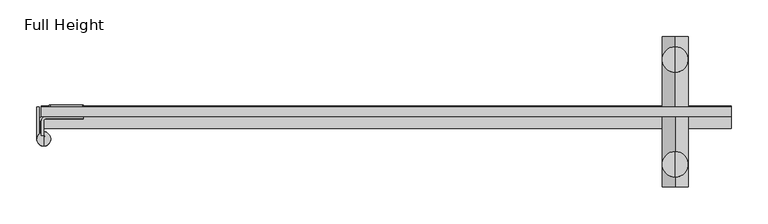
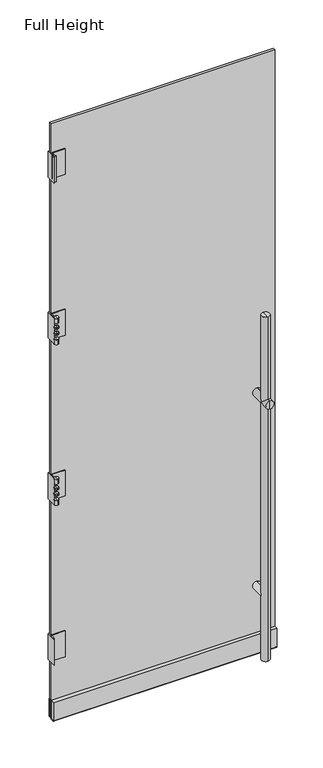
"""IFC4 building model written with IfcOpenShell, lengths in millimetres: plate geometry, Full Height."""

from ifc_helpers import new_model, si_unit, point, frame, frame_2d, origin, place, context, project, spatial, polyline, circle_curve, ellipse_curve, trimmed, segment, composite_curve, outline, extrude, source, transform, mapped, element, save
from ifc_brep_helpers import plane_surface, cylinder_surface, revolved_surface, advanced_brep


def full_height_731ae503(model_context):
    return source(origin(), model_context, "Body", "SolidModel", [
        advanced_brep(
        [(393.6977517, -92.4935, 1536.7), (393.6977517, -57.4935, 1536.7), (393.6977517, -57.4935, 1173.2127), (376.1977517, -74.9935, 1155.7127), (393.6977517, -92.4935, 1173.2127), (393.6977517, -57.4935, 12.7), (393.6977517, -92.4935, 12.7), (393.6977517, -92.4935, 1138.2127), (393.6977517, -57.4935, 1138.2127), (393.6977517, -57.4935, 317.5375), (376.1977517, -74.9935, 300.0375), (393.6977517, -57.4935, 282.5375), (393.6977517, -74.9935, 1536.7), (393.6977517, 50.3815, 1536.7), (393.6977517, 85.3815, 1536.7), (393.6977517, 67.8815, 1536.7), (393.6977517, 85.3815, 282.5375), (393.6977517, 50.3815, 282.5375), (393.6977517, 67.8815, 282.5375), (393.6977517, -9.906, 282.5375), (393.6977517, -9.906, 317.5375), (411.1977517, -74.9935, 300.0375), (393.6977517, 2.794, 282.5375), (393.6977517, 2.794, 317.5375), (393.6977517, 50.3815, 317.5375), (376.1977517, 67.8815, 300.0375), (393.6977517, 2.794, 312.5375), (393.6977517, 2.794, 287.5375), (393.6977517, -9.906, 287.5375), (393.6977517, -9.906, 312.5375), (393.6977517, -105.906, 1138.2127), (393.6977517, -105.906, 1173.2127), (393.6977517, -9.906, 1173.2127), (393.6977517, -9.906, 1138.2127), (393.6977517, -9.906, 1143.2127), (393.6977517, -9.906, 1168.2127), (393.6977517, -105.906, 1155.7127), (411.1977517, -74.9935, 1155.7127), (393.6977517, 2.794, 1143.2127), (393.6977517, 2.794, 1168.2127), (393.6977517, 2.794, 1138.2127), (393.6977517, 2.794, 1173.2127), (393.6977517, 50.3815, 1138.2127), (411.1977517, 67.8815, 1155.7127), (393.6977517, 50.3815, 1173.2127), (393.6977517, 98.794, 1138.2127), (393.6977517, 98.794, 1173.2127), (393.6977517, 85.3815, 1173.2127), (393.6977517, 85.3815, 1138.2127), (376.1977517, 67.8815, 1155.7127), (393.6977517, 98.794, 1155.7127), (393.6977517, -74.9935, 12.7), (411.1977517, 67.8815, 300.0375)],
        [
            (0, 1, circle_curve(frame((393.6977517, -74.9935, 1536.7), z_axis=(0.0, 0.0, -1.0), x_axis=(0.0, -1.0, 0.0)), 17.5)),
            (1, 2),
            (2, 3, ellipse_curve(frame((393.6977517, -74.9935, 1155.7127), z_axis=(0.0, -0.7071067811865475, 0.7071067811865475), x_axis=(0.0, 0.7071067811865474, 0.7071067811865477)), 24.7487373, 17.5)),
            (3, 4, ellipse_curve(frame((393.6977517, -74.9935, 1155.7127), z_axis=(0.0, 0.7071067811865475, 0.7071067811865476), x_axis=(0.0, -0.7071067811865476, 0.7071067811865474)), 24.7487373, 17.5)),
            (4, 0),
            (5, 6, circle_curve(frame((393.6977517, -74.9935, 12.7), z_axis=(0.0, 0.0, 1.0), x_axis=(0.0, -1.0, 0.0)), 17.5)),
            (6, 7),
            (7, 3, ellipse_curve(frame((393.6977517, -74.9935, 1155.7127), z_axis=(0.0, 0.7071067811865475, -0.7071067811865475), x_axis=(0.0, 0.7071067811865474, 0.7071067811865477)), 24.7487373, 17.5)),
            (3, 8, ellipse_curve(frame((393.6977517, -74.9935, 1155.7127), z_axis=(0.0, -0.7071067811865475, -0.7071067811865476), x_axis=(0.0, -0.7071067811865476, 0.7071067811865474)), 24.7487373, 17.5)),
            (8, 9),
            (9, 10, ellipse_curve(frame((393.6977517, -74.9935, 300.0375), z_axis=(0.0, -0.7071067811865475, 0.7071067811865475), x_axis=(0.0, 0.7071067811865474, 0.7071067811865477)), 24.7487373, 17.5)),
            (10, 11, ellipse_curve(frame((393.6977517, -74.9935, 300.0375), z_axis=(0.0, -0.7071067811865475, -0.7071067811865476), x_axis=(0.0, -0.7071067811865476, 0.7071067811865474)), 24.7487373, 17.5)),
            (11, 5),
            (0, 1, circle_curve(frame((393.6977517, -74.9935, 1536.7), z_axis=(0.0, 0.0, 1.0), x_axis=(0.0, -1.0, 0.0)), 17.5)),
            (1, 12),
            (12, 0),
            (13, 14, circle_curve(frame((393.6977517, 67.8815, 1536.7), z_axis=(0.0, 0.0, 1.0), x_axis=(0.0, 1.0, 0.0)), 17.5)),
            (14, 15),
            (15, 13),
            (14, 13, circle_curve(frame((393.6977517, 67.8815, 1536.7), z_axis=(0.0, 0.0, 1.0), x_axis=(0.0, 1.0, 0.0)), 17.5)),
            (16, 17, circle_curve(frame((393.6977517, 67.8815, 282.5375), z_axis=(0.0, 0.0, -1.0), x_axis=(0.0, 1.0, 0.0)), 17.5)),
            (17, 18),
            (18, 16),
            (19, 20, circle_curve(frame((393.6977517, -9.906, 300.0375), z_axis=(0.0, -1.0, 0.0), x_axis=(0.0, 0.0, -1.0)), 17.5)),
            (20, 9),
            (9, 21, ellipse_curve(frame((393.6977517, -74.9935, 300.0375), z_axis=(0.0, 0.7071067811865475, -0.7071067811865475), x_axis=(0.0, -0.7071067811865476, -0.7071067811865474)), 24.7487373, 17.5)),
            (21, 11, ellipse_curve(frame((393.6977517, -74.9935, 300.0375), z_axis=(0.0, 0.7071067811865475, 0.7071067811865476), x_axis=(0.0, -0.7071067811865476, 0.7071067811865475)), 24.7487373, 17.5)),
            (11, 19),
            (20, 19, circle_curve(frame((393.6977517, -9.906, 300.0375), z_axis=(0.0, -1.0, 0.0), x_axis=(0.0, 0.0, -1.0)), 17.5)),
            (22, 23, circle_curve(frame((393.6977517, 2.794, 300.0375), z_axis=(0.0, 1.0, 0.0), x_axis=(0.0, 0.0, -1.0)), 17.5)),
            (23, 24),
            (24, 25, ellipse_curve(frame((393.6977517, 67.8815, 300.0375), z_axis=(0.0, -0.7071067811865475, -0.7071067811865475), x_axis=(0.0, -0.7071067811865476, 0.7071067811865474)), 24.7487373, 17.5)),
            (25, 17, ellipse_curve(frame((393.6977517, 67.8815, 300.0375), z_axis=(0.0, -0.7071067811865475, 0.7071067811865476), x_axis=(0.0, -0.7071067811865476, -0.7071067811865475)), 24.7487373, 17.5)),
            (17, 22),
            (26, 27, circle_curve(frame((393.6977517, 2.794, 300.0375), z_axis=(0.0, -1.0, 0.0), x_axis=(0.0, 0.0, -1.0)), 12.5)),
            (27, 28),
            (28, 29, circle_curve(frame((393.6977517, -9.906, 300.0375), z_axis=(0.0, 1.0, 0.0), x_axis=(0.0, 0.0, -1.0)), 12.5)),
            (29, 26),
            (20, 29),
            (28, 19),
            (30, 31, circle_curve(frame((393.6977517, -105.906, 1155.7127), z_axis=(0.0, 1.0, 0.0), x_axis=(0.0, 0.0, 1.0)), 17.5)),
            (31, 4),
            (7, 30),
            (32, 33, circle_curve(frame((393.6977517, -9.906, 1155.7127), z_axis=(0.0, -1.0, 0.0), x_axis=(0.0, 0.0, 1.0)), 17.5)),
            (33, 8),
            (2, 32),
            (32, 33, circle_curve(frame((393.6977517, -9.906, 1155.7127), z_axis=(0.0, 1.0, 0.0), x_axis=(0.0, 0.0, 1.0)), 17.5)),
            (33, 34),
            (34, 35, circle_curve(frame((393.6977517, -9.906, 1155.7127), z_axis=(0.0, -1.0, 0.0), x_axis=(0.0, 0.0, 1.0)), 12.5)),
            (35, 32),
            (30, 31, circle_curve(frame((393.6977517, -105.906, 1155.7127), z_axis=(0.0, -1.0, 0.0), x_axis=(0.0, 0.0, 1.0)), 17.5)),
            (31, 36),
            (36, 30),
            (7, 37, ellipse_curve(frame((393.6977517, -74.9935, 1155.7127), z_axis=(0.0, -0.7071067811865475, 0.7071067811865475), x_axis=(0.0, 0.7071067811865476, 0.7071067811865474)), 24.7487373, 17.5)),
            (37, 4, ellipse_curve(frame((393.6977517, -74.9935, 1155.7127), z_axis=(0.0, -0.7071067811865475, -0.7071067811865476), x_axis=(0.0, 0.7071067811865476, -0.7071067811865475)), 24.7487373, 17.5)),
            (2, 37, ellipse_curve(frame((393.6977517, -74.9935, 1155.7127), z_axis=(0.0, 0.7071067811865475, -0.7071067811865475), x_axis=(0.0, 0.7071067811865476, 0.7071067811865474)), 24.7487373, 17.5)),
            (37, 8, ellipse_curve(frame((393.6977517, -74.9935, 1155.7127), z_axis=(0.0, 0.7071067811865475, 0.7071067811865476), x_axis=(0.0, 0.7071067811865476, -0.7071067811865475)), 24.7487373, 17.5)),
            (35, 34, circle_curve(frame((393.6977517, -9.906, 1155.7127), z_axis=(0.0, -1.0, 0.0), x_axis=(0.0, 0.0, 1.0)), 12.5)),
            (34, 38),
            (38, 39, circle_curve(frame((393.6977517, 2.794, 1155.7127), z_axis=(0.0, -1.0, 0.0), x_axis=(0.0, 0.0, 1.0)), 12.5)),
            (39, 35),
            (39, 38, circle_curve(frame((393.6977517, 2.794, 1155.7127), z_axis=(0.0, -1.0, 0.0), x_axis=(0.0, 0.0, 1.0)), 12.5)),
            (38, 40),
            (40, 41, circle_curve(frame((393.6977517, 2.794, 1155.7127), z_axis=(0.0, -1.0, 0.0), x_axis=(0.0, 0.0, 1.0)), 17.5)),
            (41, 39),
            (41, 40, circle_curve(frame((393.6977517, 2.794, 1155.7127), z_axis=(0.0, -1.0, 0.0), x_axis=(0.0, 0.0, 1.0)), 17.5)),
            (40, 42),
            (42, 43, ellipse_curve(frame((393.6977517, 67.8815, 1155.7127), z_axis=(0.0, -0.7071067811865475, 0.7071067811865476), x_axis=(0.0, 0.7071067811865476, 0.7071067811865475)), 24.7487373, 17.5)),
            (43, 44, ellipse_curve(frame((393.6977517, 67.8815, 1155.7127), z_axis=(0.0, -0.7071067811865475, -0.7071067811865475), x_axis=(0.0, 0.7071067811865476, -0.7071067811865474)), 24.7487373, 17.5)),
            (44, 41),
            (45, 46, circle_curve(frame((393.6977517, 98.794, 1155.7127), z_axis=(0.0, -1.0, 0.0), x_axis=(0.0, 0.0, 1.0)), 17.5)),
            (46, 47),
            (47, 43, ellipse_curve(frame((393.6977517, 67.8815, 1155.7127), z_axis=(0.0, 0.7071067811865475, -0.7071067811865476), x_axis=(0.0, 0.7071067811865476, 0.7071067811865475)), 24.7487373, 17.5)),
            (43, 48, ellipse_curve(frame((393.6977517, 67.8815, 1155.7127), z_axis=(0.0, 0.7071067811865475, 0.7071067811865475), x_axis=(0.0, 0.7071067811865476, -0.7071067811865474)), 24.7487373, 17.5)),
            (48, 45),
            (44, 49, ellipse_curve(frame((393.6977517, 67.8815, 1155.7127), z_axis=(0.0, -0.7071067811865475, -0.7071067811865475), x_axis=(0.0, 0.7071067811865476, -0.7071067811865474)), 24.7487373, 17.5)),
            (49, 42, ellipse_curve(frame((393.6977517, 67.8815, 1155.7127), z_axis=(0.0, -0.7071067811865475, 0.7071067811865476), x_axis=(0.0, 0.7071067811865476, 0.7071067811865475)), 24.7487373, 17.5)),
            (46, 45, circle_curve(frame((393.6977517, 98.794, 1155.7127), z_axis=(0.0, -1.0, 0.0), x_axis=(0.0, 0.0, 1.0)), 17.5)),
            (48, 49, ellipse_curve(frame((393.6977517, 67.8815, 1155.7127), z_axis=(0.0, 0.7071067811865475, 0.7071067811865475), x_axis=(0.0, 0.7071067811865476, -0.7071067811865474)), 24.7487373, 17.5)),
            (49, 47, ellipse_curve(frame((393.6977517, 67.8815, 1155.7127), z_axis=(0.0, 0.7071067811865475, -0.7071067811865476), x_axis=(0.0, 0.7071067811865476, 0.7071067811865475)), 24.7487373, 17.5)),
            (45, 50),
            (50, 46),
            (5, 6, circle_curve(frame((393.6977517, -74.9935, 12.7), z_axis=(0.0, 0.0, -1.0), x_axis=(0.0, -1.0, 0.0)), 17.5)),
            (6, 51),
            (51, 5),
            (13, 44),
            (47, 14),
            (16, 48),
            (42, 24),
            (24, 52, ellipse_curve(frame((393.6977517, 67.8815, 300.0375), z_axis=(0.0, 0.7071067811865475, 0.7071067811865475), x_axis=(0.0, 0.7071067811865474, -0.7071067811865477)), 24.7487373, 17.5)),
            (52, 17, ellipse_curve(frame((393.6977517, 67.8815, 300.0375), z_axis=(0.0, 0.7071067811865475, -0.7071067811865476), x_axis=(0.0, -0.7071067811865476, -0.7071067811865474)), 24.7487373, 17.5)),
            (16, 17, circle_curve(frame((393.6977517, 67.8815, 282.5375), z_axis=(0.0, 0.0, 1.0), x_axis=(0.0, 1.0, 0.0)), 17.5)),
            (23, 22, circle_curve(frame((393.6977517, 2.794, 300.0375), z_axis=(0.0, 1.0, 0.0), x_axis=(0.0, 0.0, -1.0)), 17.5)),
            (23, 26),
            (26, 27, circle_curve(frame((393.6977517, 2.794, 300.0375), z_axis=(0.0, 1.0, 0.0), x_axis=(0.0, 0.0, -1.0)), 12.5)),
            (27, 22),
            (29, 28, circle_curve(frame((393.6977517, -9.906, 300.0375), z_axis=(0.0, 1.0, 0.0), x_axis=(0.0, 0.0, -1.0)), 12.5)),
        ],
        [
            cylinder_surface(frame((393.6977517, -74.9935, 12.7), z_axis=(0.0, 0.0, 1.0), x_axis=(0.0, -1.0, 0.0)), 17.5),
            plane_surface(frame((393.6977517, -74.9935, 1536.7), z_axis=(0.0, 0.0, 1.0), x_axis=(0.0, -1.0, 0.0))),
            plane_surface(frame((393.6977517, 67.8815, 1536.7), z_axis=(0.0, 0.0, 1.0), x_axis=(0.0, 1.0, 0.0))),
            plane_surface(frame((393.6977517, 67.8815, 282.5375), z_axis=(0.0, 0.0, -1.0), x_axis=(0.0, 1.0, 0.0))),
            cylinder_surface(frame((393.6977517, -135.7263601, 300.0375), z_axis=(0.0, -1.0, 0.0), x_axis=(0.0, 0.0, -1.0)), 17.5),
            cylinder_surface(frame((393.6977517, -135.7263601, 300.0375), z_axis=(0.0, -1.0, 0.0), x_axis=(0.0, 0.0, -1.0)), 12.5),
            plane_surface(frame((393.6977517, -9.906, 300.0375), z_axis=(0.0, 1.0, 0.0), x_axis=(0.0, 0.0, -1.0))),
            cylinder_surface(frame((393.6977517, -135.7263601, 1155.7127), z_axis=(0.0, 1.0, 0.0), x_axis=(0.0, 0.0, 1.0)), 17.5),
            plane_surface(frame((393.6977517, -9.906, 1155.7127), z_axis=(0.0, 1.0, 0.0), x_axis=(0.0, 0.0, 1.0))),
            plane_surface(frame((393.6977517, -105.906, 1155.7127), z_axis=(0.0, -1.0, 0.0), x_axis=(0.0, 0.0, 1.0))),
            cylinder_surface(frame((393.6977517, -135.7263601, 1155.7127), z_axis=(0.0, 1.0, 0.0), x_axis=(0.0, 0.0, 1.0)), 12.5),
            plane_surface(frame((393.6977517, 2.794, 1155.7127), z_axis=(0.0, -1.0, 0.0), x_axis=(0.0, 0.0, 1.0))),
            plane_surface(frame((393.6977517, 98.794, 1155.7127), z_axis=(0.0, 1.0, 0.0), x_axis=(0.0, 0.0, 1.0))),
            plane_surface(frame((393.6977517, -74.9935, 12.7), z_axis=(0.0, 0.0, -1.0), x_axis=(0.0, -1.0, 0.0))),
            cylinder_surface(frame((393.6977517, 67.8815, 12.7), z_axis=(0.0, 0.0, -1.0), x_axis=(0.0, 1.0, 0.0)), 17.5),
            plane_surface(frame((393.6977517, 2.794, 300.0375), z_axis=(0.0, -1.0, 0.0), x_axis=(0.0, 0.0, -1.0))),
        ],
        [
            (0, [[1, 2, 3, 4, 5]]),
            (0, [[6, 7, 8, 9, 10, 11, 12, 13]]),
            (1, [[14, 15, 16]]),
            (2, [[17, 18, 19]]),
            (2, [[-18, 20, -19]]),
            (3, [[21, 22, 23]]),
            (4, [[24, 25, 26, 27, 28]]),
            (4, [[29, -28, -12, -11, -25]]),
            (4, [[30, 31, 32, 33, 34]]),
            (5, [[35, 36, 37, 38]]),
            (6, [[-29, 39, -37, 40]]),
            (7, [[41, 42, -4, -8, 43]]),
            (7, [[44, 45, -9, -3, 46]]),
            (8, [[47, 48, 49, 50]]),
            (9, [[51, 52, 53]]),
            (9, [[-52, -41, -53]]),
            (7, [[-51, -43, 54, 55, -42]]),
            (7, [[-47, -46, 56, 57, -45]]),
            (8, [[-44, -50, 58, -48]]),
            (10, [[-49, 59, 60, 61]]),
            (10, [[-58, -61, 62, -59]]),
            (11, [[-60, 63, 64, 65]]),
            (11, [[-62, -65, 66, -63]]),
            (7, [[-64, 67, 68, 69, 70]]),
            (7, [[71, 72, 73, 74, 75]]),
            (7, [[-66, -70, 76, 77, -67]]),
            (7, [[78, -75, 79, 80, -72]]),
            (12, [[-71, 81, 82]]),
            (12, [[-78, -82, -81]]),
            (13, [[83, 84, 85]]),
            (13, [[-84, -6, -85]]),
            (0, [[-83, -13, -27, -26, -10, -57, -54, -7]]),
            (0, [[-14, -5, -55, -56, -2]]),
            (1, [[-1, -16, -15]]),
            (14, [[-17, 86, -69, -73, 87]]),
            (14, [[-21, 88, -74, -68, 89, 90, 91]]),
            (14, [[-20, -87, -80, -76, -86]]),
            (14, [[92, -33, -32, -89, -77, -79, -88]]),
            (3, [[-92, -23, -22]]),
            (4, [[93, -34, -91, -90, -31]]),
            (15, [[-93, 94, 95, 96]]),
            (15, [[-30, -96, -35, -94]]),
            (5, [[-95, -38, 97, -36]]),
            (6, [[-24, -40, -97, -39]]),
        ],
    ),
        extrude(outline(composite_curve([segment(polyline([(-23.876, 10.668), (-9.906, 10.668), (-9.906, 8.382)]), True, "CONTINUOUS"), segment(trimmed(circle_curve(frame_2d((-11.938, 8.382)), 2.032), [point((-9.906, 8.382))], [point((-11.938, 6.35))], False, "CARTESIAN"), True, "CONTINUOUS"), segment(polyline([(-11.938, 6.35), (-21.844, 6.35)]), True, "CONTINUOUS"), segment(trimmed(circle_curve(frame_2d((-21.844, 8.382)), 2.032), [point((-21.844, 6.35))], [point((-23.876, 8.382))], False, "CARTESIAN"), True, "CONTINUOUS"), segment(polyline([(-23.876, 8.382), (-23.876, 10.668)]), True, "CONTINUOUS")], self_intersect=False)), frame((-468.1197517, 0.0, 0.0), z_axis=(1.0, 0.0, 0.0), x_axis=(0.0, 1.0, 0.0)), (0.0, 0.0, 1.0), 938.0175034),
        extrude(outline(polyline([(2.794, 90.932), (4.826, 90.932), (4.826, 10.668), (-25.908, 10.668), (-25.908, 90.932), (-9.906, 90.932), (-9.906, 12.7), (2.794, 12.7), (2.794, 90.932)])), frame((-468.1197517, 0.0, 0.0), z_axis=(1.0, 0.0, 0.0), x_axis=(0.0, 1.0, 0.0)), (0.0, 0.0, 1.0), 938.0175034),
        extrude(outline(composite_curve([segment(polyline([(980.0166667, -411.4777517), (1091.7766667, -411.4777517)]), True, "CONTINUOUS"), segment(trimmed(circle_curve(frame_2d((1091.7766667, -412.7477517)), 1.27), [point((1091.7766667, -411.4777517))], [point((1093.0466667, -412.7477517))], False, "CARTESIAN"), True, "CONTINUOUS"), segment(polyline([(1093.0466667, -412.7477517), (1093.0466667, -456.2071517)]), True, "CONTINUOUS"), segment(trimmed(circle_curve(frame_2d((1091.7766667, -456.2071517)), 1.27), [point((1093.0466667, -456.2071517))], [point((1091.7766667, -457.4771517))], False, "CARTESIAN"), True, "CONTINUOUS"), segment(polyline([(1091.7766667, -457.4771517), (980.0166667, -457.4771517)]), True, "CONTINUOUS"), segment(trimmed(circle_curve(frame_2d((980.0166667, -456.2071517)), 1.27), [point((980.0166667, -457.4771517))], [point((978.7466667, -456.2071517))], False, "CARTESIAN"), True, "CONTINUOUS"), segment(polyline([(978.7466667, -456.2071517), (978.7466667, -412.7477517)]), True, "CONTINUOUS"), segment(trimmed(circle_curve(frame_2d((980.0166667, -412.7477517)), 1.27), [point((978.7466667, -412.7477517))], [point((980.0166667, -411.4777517))], False, "CARTESIAN"), True, "CONTINUOUS")], self_intersect=False)), frame((0.0, 2.794, 0.0), z_axis=(0.0, 1.0, 0.0), x_axis=(0.0, 0.0, 1.0)), (0.0, 0.0, 1.0), 3.048),
        extrude(outline(composite_curve([segment(trimmed(circle_curve(frame_2d((1803.8233333, -412.7477517)), 1.27), [point((1803.8233333, -411.4777517))], [point((1805.0933333, -412.7477517))], False, "CARTESIAN"), True, "CONTINUOUS"), segment(polyline([(1805.0933333, -412.7477517), (1805.0933333, -456.2071517)]), True, "CONTINUOUS"), segment(trimmed(circle_curve(frame_2d((1803.8233333, -456.2071517)), 1.27), [point((1805.0933333, -456.2071517))], [point((1803.8233333, -457.4771517))], False, "CARTESIAN"), True, "CONTINUOUS"), segment(polyline([(1803.8233333, -457.4771517), (1692.0633333, -457.4771517)]), True, "CONTINUOUS"), segment(trimmed(circle_curve(frame_2d((1692.0633333, -456.2071517)), 1.27), [point((1692.0633333, -457.4771517))], [point((1690.7933333, -456.2071517))], False, "CARTESIAN"), True, "CONTINUOUS"), segment(polyline([(1690.7933333, -456.2071517), (1690.7933333, -412.7477517)]), True, "CONTINUOUS"), segment(trimmed(circle_curve(frame_2d((1692.0633333, -412.7477517)), 1.27), [point((1690.7933333, -412.7477517))], [point((1692.0633333, -411.4777517))], False, "CARTESIAN"), True, "CONTINUOUS"), segment(polyline([(1692.0633333, -411.4777517), (1803.8233333, -411.4777517)]), True, "CONTINUOUS")], self_intersect=False)), frame((0.0, 2.794, 0.0), z_axis=(0.0, 1.0, 0.0), x_axis=(0.0, 0.0, 1.0)), (0.0, 0.0, 1.0), 3.048),
        extrude(outline(composite_curve([segment(trimmed(circle_curve(frame_2d((-464.9447517, -40.4876)), 9.525), [point((-469.4913517, -32.11777))], [point((-472.8949517, -35.2416544))], True, "CARTESIAN"), True, "CONTINUOUS"), segment(polyline([(-472.8949517, -35.2416544), (-472.8949517, -16.7386)]), True, "CONTINUOUS"), segment(trimmed(circle_curve(frame_2d((-466.0623517, -16.7386)), 6.8326), [point((-472.8949517, -16.7386))], [point((-466.0623517, -9.906))], False, "CARTESIAN"), True, "CONTINUOUS"), segment(polyline([(-466.0623517, -9.906), (-411.4777517, -9.906), (-411.4777517, -13.3096), (-466.0623517, -13.3096)]), True, "CONTINUOUS"), segment(trimmed(circle_curve(frame_2d((-466.0623517, -16.7386)), 3.429), [point((-466.0623517, -13.3096))], [point((-469.4913517, -16.7386))], True, "CARTESIAN"), True, "CONTINUOUS"), segment(polyline([(-469.4913517, -16.7386), (-469.4913517, -32.11777)]), True, "CONTINUOUS")], self_intersect=False)), frame((0.0, 0.0, 978.7466667), z_axis=(0.0, 0.0, 1.0), x_axis=(1.0, 0.0, 0.0)), (0.0, 0.0, 1.0), 114.3),
        extrude(outline(composite_curve([segment(polyline([(-411.4777517, -13.3096), (-466.0623517, -13.3096)]), True, "CONTINUOUS"), segment(trimmed(circle_curve(frame_2d((-466.0623517, -16.7386)), 3.429), [point((-466.0623517, -13.3096))], [point((-469.4913517, -16.7386))], True, "CARTESIAN"), True, "CONTINUOUS"), segment(polyline([(-469.4913517, -16.7386), (-469.4913517, -32.11777)]), True, "CONTINUOUS"), segment(trimmed(circle_curve(frame_2d((-464.9447517, -40.4876)), 9.525), [point((-469.4913517, -32.11777))], [point((-472.8949517, -35.2416544))], True, "CARTESIAN"), True, "CONTINUOUS"), segment(polyline([(-472.8949517, -35.2416544), (-472.8949517, -16.7386)]), True, "CONTINUOUS"), segment(trimmed(circle_curve(frame_2d((-466.0623517, -16.7386)), 6.8326), [point((-472.8949517, -16.7386))], [point((-466.0623517, -9.906))], False, "CARTESIAN"), True, "CONTINUOUS"), segment(polyline([(-466.0623517, -9.906), (-411.4777517, -9.906), (-411.4777517, -13.3096)]), True, "CONTINUOUS")], self_intersect=False)), frame((0.0, 0.0, 1690.7933333), z_axis=(0.0, 0.0, 1.0), x_axis=(1.0, 0.0, 0.0)), (0.0, 0.0, 1.0), 114.3),
        extrude(outline(composite_curve([segment(polyline([(-468.1197517, -35.8295393), (-468.1197517, -16.002)]), True, "CONTINUOUS"), segment(trimmed(circle_curve(frame_2d((-462.0237517, -16.002)), 6.096), [point((-468.1197517, -16.002))], [point((-462.0237517, -9.906))], False, "CARTESIAN"), True, "CONTINUOUS"), segment(polyline([(-462.0237517, -9.906), (-411.4777517, -9.906), (-411.4777517, -12.954), (-462.0237517, -12.954)]), True, "CONTINUOUS"), segment(trimmed(circle_curve(frame_2d((-462.0237517, -16.002)), 3.048), [point((-462.0237517, -12.954))], [point((-465.0717517, -16.002))], True, "CARTESIAN"), True, "CONTINUOUS"), segment(polyline([(-465.0717517, -16.002), (-465.0717517, -33.8381021)]), True, "CONTINUOUS"), segment(trimmed(circle_curve(frame_2d((-461.2617517, -33.8381021)), 3.81), [point((-465.0717517, -33.8381021))], [point((-463.3882633, -36.9994386))], True, "CARTESIAN"), True, "CONTINUOUS"), segment(trimmed(circle_curve(frame_2d((-467.3577517, -42.9006)), 7.112), [point((-463.3882633, -36.9994386))], [point((-468.1197517, -35.8295393))], True, "CARTESIAN"), True, "CONTINUOUS")], self_intersect=False)), frame((0.0, 0.0, 2402.84), z_axis=(0.0, 0.0, 1.0), x_axis=(1.0, 0.0, 0.0)), (0.0, 0.0, 1.0), 114.3),
        extrude(outline(composite_curve([segment(trimmed(circle_curve(frame_2d((379.73, -456.2071517)), 1.27), [point((381.0, -456.2071517))], [point((379.73, -457.4771517))], False, "CARTESIAN"), True, "CONTINUOUS"), segment(polyline([(379.73, -457.4771517), (267.97, -457.4771517)]), True, "CONTINUOUS"), segment(trimmed(circle_curve(frame_2d((267.97, -456.2071517)), 1.27), [point((267.97, -457.4771517))], [point((266.7, -456.2071517))], False, "CARTESIAN"), True, "CONTINUOUS"), segment(polyline([(266.7, -456.2071517), (266.7, -412.7477517)]), True, "CONTINUOUS"), segment(trimmed(circle_curve(frame_2d((267.97, -412.7477517)), 1.27), [point((266.7, -412.7477517))], [point((267.97, -411.4777517))], False, "CARTESIAN"), True, "CONTINUOUS"), segment(polyline([(267.97, -411.4777517), (379.73, -411.4777517)]), True, "CONTINUOUS"), segment(trimmed(circle_curve(frame_2d((379.73, -412.7477517)), 1.27), [point((379.73, -411.4777517))], [point((381.0, -412.7477517))], False, "CARTESIAN"), True, "CONTINUOUS"), segment(polyline([(381.0, -412.7477517), (381.0, -456.2071517)]), True, "CONTINUOUS")], self_intersect=False)), frame((0.0, 2.794, 0.0), z_axis=(0.0, 1.0, 0.0), x_axis=(0.0, 0.0, 1.0)), (0.0, 0.0, 1.0), 3.048),
        extrude(outline(composite_curve([segment(trimmed(circle_curve(frame_2d((2515.87, -456.2071517)), 1.27), [point((2517.14, -456.2071517))], [point((2515.87, -457.4771517))], False, "CARTESIAN"), True, "CONTINUOUS"), segment(polyline([(2515.87, -457.4771517), (2404.11, -457.4771517)]), True, "CONTINUOUS"), segment(trimmed(circle_curve(frame_2d((2404.11, -456.2071517)), 1.27), [point((2404.11, -457.4771517))], [point((2402.84, -456.2071517))], False, "CARTESIAN"), True, "CONTINUOUS"), segment(polyline([(2402.84, -456.2071517), (2402.84, -412.7477517)]), True, "CONTINUOUS"), segment(trimmed(circle_curve(frame_2d((2404.11, -412.7477517)), 1.27), [point((2402.84, -412.7477517))], [point((2404.11, -411.4777517))], False, "CARTESIAN"), True, "CONTINUOUS"), segment(polyline([(2404.11, -411.4777517), (2515.87, -411.4777517)]), True, "CONTINUOUS"), segment(trimmed(circle_curve(frame_2d((2515.87, -412.7477517)), 1.27), [point((2515.87, -411.4777517))], [point((2517.14, -412.7477517))], False, "CARTESIAN"), True, "CONTINUOUS"), segment(polyline([(2517.14, -412.7477517), (2517.14, -456.2071517)]), True, "CONTINUOUS")], self_intersect=False)), frame((0.0, 2.794, 0.0), z_axis=(0.0, 1.0, 0.0), x_axis=(0.0, 0.0, 1.0)), (0.0, 0.0, 1.0), 3.048),
        extrude(outline(composite_curve([segment(trimmed(circle_curve(frame_2d((-466.0623517, -16.7386)), 6.8326), [point((-472.8949517, -16.7386))], [point((-466.0623517, -9.906))], False, "CARTESIAN"), True, "CONTINUOUS"), segment(polyline([(-466.0623517, -9.906), (-411.4777517, -9.906), (-411.4777517, -13.3096), (-466.0623517, -13.3096)]), True, "CONTINUOUS"), segment(trimmed(circle_curve(frame_2d((-466.0623517, -16.7386)), 3.429), [point((-466.0623517, -13.3096))], [point((-469.4913517, -16.7386))], True, "CARTESIAN"), True, "CONTINUOUS"), segment(polyline([(-469.4913517, -16.7386), (-469.4913517, -32.11777)]), True, "CONTINUOUS"), segment(trimmed(circle_curve(frame_2d((-464.9447517, -40.4876)), 9.525), [point((-469.4913517, -32.11777))], [point((-472.8949517, -35.2416544))], True, "CARTESIAN"), True, "CONTINUOUS"), segment(polyline([(-472.8949517, -35.2416544), (-472.8949517, -16.7386)]), True, "CONTINUOUS")], self_intersect=False)), frame((0.0, 0.0, 266.7), z_axis=(0.0, 0.0, 1.0), x_axis=(1.0, 0.0, 0.0)), (0.0, 0.0, 1.0), 114.3),
        extrude(outline(polyline([(469.8977517, -9.906), (-468.1197517, -9.906), (-468.1197517, 2.794), (469.8977517, 2.794), (469.8977517, -9.906)])), frame((0.0, 0.0, 12.7), z_axis=(0.0, 0.0, 1.0), x_axis=(1.0, 0.0, 0.0)), (0.0, 0.0, 1.0), 2631.44),
        extrude(outline(composite_curve([segment(trimmed(circle_curve(frame_2d((-40.4876, -464.9447517)), 9.525), [point((-40.4876, -474.4697517))], [point((-33.1900602, -471.0661517))], True, "CARTESIAN"), True, "CONTINUOUS"), segment(polyline([(-33.1900602, -471.0661517), (2.794, -471.0661517), (2.794, -474.4697517), (-40.4876, -474.4697517)]), True, "CONTINUOUS")], self_intersect=False)), frame((0.0, 0.0, 1805.0933333), z_axis=(0.0, 0.0, -1.0), x_axis=(0.0, 1.0, 0.0)), (0.0, 0.0, 1.0), 114.3),
        extrude(outline(composite_curve([segment(trimmed(circle_curve(frame_2d((-40.4876, -464.9447517)), 9.525), [point((-40.4876, -474.4697517))], [point((-33.1900602, -471.0661517))], True, "CARTESIAN"), True, "CONTINUOUS"), segment(polyline([(-33.1900602, -471.0661517), (2.794, -471.0661517), (2.794, -474.4697517), (-40.4876, -474.4697517)]), True, "CONTINUOUS")], self_intersect=False)), frame((0.0, 0.0, 1093.0466667), z_axis=(0.0, 0.0, -1.0), x_axis=(0.0, 1.0, 0.0)), (0.0, 0.0, 1.0), 114.3),
        advanced_brep(
        [(-474.4697517, 2.794, 2517.14), (-474.4697517, -40.4876, 2517.14), (-471.0661517, -33.1900602, 2517.14), (-471.0661517, 2.794, 2517.14), (-474.4697517, 2.794, 2402.84), (-471.0661517, 2.794, 2402.84), (-471.0661517, -33.1900602, 2402.84), (-474.4697517, -40.4876, 2402.84)],
        [
            (0, 1),
            (1, 2, circle_curve(frame((-464.9447517, -40.4876, 2517.14), z_axis=(0.0, 0.0, -1.0), x_axis=(-1.0, 0.0, 0.0)), 9.525)),
            (2, 3),
            (3, 0),
            (4, 5),
            (5, 6),
            (6, 7, circle_curve(frame((-464.9447517, -40.4876, 2402.84), z_axis=(0.0, 0.0, 1.0), x_axis=(-1.0, 0.0, 0.0)), 9.525)),
            (7, 4),
            (0, 4),
            (7, 1),
            (6, 2),
            (5, 3),
        ],
        [
            plane_surface(frame((-474.4697517, 2.794, 2517.14), z_axis=(0.0, 0.0, 1.0), x_axis=(0.0, -1.0, 0.0))),
            plane_surface(frame((-474.4697517, 2.794, 2402.84), z_axis=(0.0, 0.0, -1.0), x_axis=(0.0, 1.0, 0.0))),
            plane_surface(frame((-474.4697517, 2.794, 2517.14), z_axis=(-1.0, 0.0, 0.0), x_axis=(0.0, 0.0, -1.0))),
            revolved_surface(polyline([(-474.46975169999996, -40.4876, 2402.84), (-474.46975169999996, -40.4876, 2517.14)]), (-464.9447517, -40.4876, 2402.84), (0.0, 0.0, -1.0)),
            plane_surface(frame((-471.0661517, -33.1900602, 2517.14), z_axis=(1.0, 0.0, 0.0), x_axis=(0.0, 0.0, -1.0))),
            plane_surface(frame((-471.0661517, 2.794, 2517.14), z_axis=(0.0, 1.0, 0.0), x_axis=(0.0, 0.0, -1.0))),
        ],
        [
            (0, [[1, 2, 3, 4]]),
            (1, [[5, 6, 7, 8]]),
            (2, [[-1, 9, -8, 10]]),
            (3, [[-2, -10, -7, 11]]),
            (4, [[-3, -11, -6, 12]]),
            (5, [[-4, -12, -5, -9]]),
        ],
    ),
        extrude(outline(composite_curve([segment(polyline([(-474.4697517, -40.4876), (-474.4697517, 2.794), (-471.0661517, 2.794), (-471.0661517, -33.1900602)]), True, "CONTINUOUS"), segment(trimmed(circle_curve(frame_2d((-464.9447517, -40.4876)), 9.525), [point((-471.0661517, -33.1900602))], [point((-474.4697517, -40.4876))], True, "CARTESIAN"), True, "CONTINUOUS")], self_intersect=False)), frame((0.0, 0.0, 266.7), z_axis=(0.0, 0.0, 1.0), x_axis=(1.0, 0.0, 0.0)), (0.0, 0.0, 1.0), 114.3),
        advanced_brep(
        [(-464.9447517, -40.4876, 1784.7733333), (-464.9447517, -50.0126, 1784.7733333), (-464.9447517, -30.9626, 1784.7733333), (-464.9447517, -30.9626, 1805.0933333), (-464.9447517, -50.0126, 1805.0933333), (-464.9447517, -40.4876, 1805.0933333)],
        [
            (0, 1),
            (1, 2, circle_curve(frame((-464.9447517, -40.4876, 1784.7733333), z_axis=(0.0, 0.0, -1.0), x_axis=(0.0, -1.0, 0.0)), 9.525)),
            (2, 0),
            (2, 1, circle_curve(frame((-464.9447517, -40.4876, 1784.7733333), z_axis=(0.0, 0.0, -1.0), x_axis=(0.0, -1.0, 0.0)), 9.525)),
            (3, 4, circle_curve(frame((-464.9447517, -40.4876, 1805.0933333), z_axis=(0.0, 0.0, 1.0), x_axis=(0.0, -1.0, 0.0)), 9.525)),
            (4, 5),
            (5, 3),
            (4, 3, circle_curve(frame((-464.9447517, -40.4876, 1805.0933333), z_axis=(0.0, 0.0, 1.0), x_axis=(0.0, -1.0, 0.0)), 9.525)),
            (1, 4),
            (3, 2),
        ],
        [
            plane_surface(frame((-464.9447517, -40.4876, 1784.7733333), z_axis=(0.0, 0.0, -1.0), x_axis=(0.0, -1.0, 0.0))),
            plane_surface(frame((-464.9447517, -40.4876, 1805.0933333), z_axis=(0.0, 0.0, 1.0), x_axis=(0.0, -1.0, 0.0))),
            cylinder_surface(frame((-464.9447517, -40.4876, 1627.2933333), z_axis=(0.0, 0.0, -1.0), x_axis=(0.0, -1.0, 0.0)), 9.525),
        ],
        [
            (0, [[1, 2, 3]]),
            (0, [[-3, 4, -1]]),
            (1, [[5, 6, 7]]),
            (1, [[8, -7, -6]]),
            (2, [[-2, 9, -5, 10]]),
            (2, [[-4, -10, -8, -9]]),
        ],
    ),
        advanced_brep(
        [(-464.9447517, -30.9626, 1758.6113333), (-464.9447517, -50.0126, 1758.6113333), (-464.9447517, -50.0126, 1763.9453333), (-464.9447517, -30.9626, 1763.9453333), (-464.9447517, -40.4876, 1758.1033333), (-464.9447517, -49.5046, 1758.1033333), (-464.9447517, -31.4706, 1758.1033333), (-464.9447517, -31.4706, 1764.4533333), (-464.9447517, -49.5046, 1764.4533333), (-464.9447517, -40.4876, 1764.4533333)],
        [
            (0, 1, circle_curve(frame((-464.9447517, -40.4876, 1758.6113333), z_axis=(0.0, 0.0, 1.0), x_axis=(0.0, -1.0, 0.0)), 9.525)),
            (1, 2),
            (2, 3, circle_curve(frame((-464.9447517, -40.4876, 1763.9453333), z_axis=(0.0, 0.0, -1.0), x_axis=(0.0, -1.0, 0.0)), 9.525)),
            (3, 0),
            (1, 0, circle_curve(frame((-464.9447517, -40.4876, 1758.6113333), z_axis=(0.0, 0.0, 1.0), x_axis=(0.0, -1.0, 0.0)), 9.525)),
            (3, 2, circle_curve(frame((-464.9447517, -40.4876, 1763.9453333), z_axis=(0.0, 0.0, -1.0), x_axis=(0.0, -1.0, 0.0)), 9.525)),
            (4, 5),
            (5, 6, circle_curve(frame((-464.9447517, -40.4876, 1758.1033333), z_axis=(0.0, 0.0, -1.0), x_axis=(0.0, -1.0, 0.0)), 9.017)),
            (6, 4),
            (6, 5, circle_curve(frame((-464.9447517, -40.4876, 1758.1033333), z_axis=(0.0, 0.0, -1.0), x_axis=(0.0, -1.0, 0.0)), 9.017)),
            (7, 8, circle_curve(frame((-464.9447517, -40.4876, 1764.4533333), z_axis=(0.0, 0.0, 1.0), x_axis=(0.0, -1.0, 0.0)), 9.017)),
            (8, 9),
            (9, 7),
            (8, 7, circle_curve(frame((-464.9447517, -40.4876, 1764.4533333), z_axis=(0.0, 0.0, 1.0), x_axis=(0.0, -1.0, 0.0)), 9.017)),
            (2, 8, circle_curve(frame((-464.9447517, -49.5046, 1763.9453333), z_axis=(-1.0, 0.0, 0.0), x_axis=(0.0, 1.0, 0.0)), 0.508)),
            (7, 3, circle_curve(frame((-464.9447517, -31.4706, 1763.9453333), z_axis=(-1.0, 0.0, 0.0), x_axis=(0.0, -1.0, 0.0)), 0.508)),
            (5, 1, circle_curve(frame((-464.9447517, -49.5046, 1758.6113333), z_axis=(-1.0, 0.0, 0.0), x_axis=(0.0, 1.0, 0.0)), 0.508)),
            (0, 6, circle_curve(frame((-464.9447517, -31.4706, 1758.6113333), z_axis=(-1.0, 0.0, 0.0), x_axis=(0.0, -1.0, 0.0)), 0.508)),
        ],
        [
            cylinder_surface(frame((-464.9447517, -40.4876, 1627.2933333), z_axis=(0.0, 0.0, -1.0), x_axis=(0.0, -1.0, 0.0)), 9.525),
            plane_surface(frame((-464.9447517, -40.4876, 1758.1033333), z_axis=(0.0, 0.0, -1.0), x_axis=(0.0, -1.0, 0.0))),
            plane_surface(frame((-464.9447517, -40.4876, 1764.4533333), z_axis=(0.0, 0.0, 1.0), x_axis=(0.0, -1.0, 0.0))),
            revolved_surface(trimmed(ellipse_curve(frame((-464.9447517, -49.5046, 1763.9453333), z_axis=(1.0, 0.0, 0.0), x_axis=(0.0, 1.0, 0.0)), 0.508, 0.508), [point((-464.9447517, -49.5046, 1764.4533333))], [point((-464.9447517, -50.0126, 1763.9453333))], True, "CARTESIAN"), (-464.9447517, -40.4876, 1627.2933333), (0.0, 0.0, -1.0)),
            revolved_surface(trimmed(ellipse_curve(frame((-464.9447517, -49.5046, 1758.6113333), z_axis=(1.0, 0.0, 0.0), x_axis=(0.0, 1.0, 0.0)), 0.508, 0.508), [point((-464.9447517, -50.0126, 1758.6113333))], [point((-464.9447517, -49.5046, 1758.1033333))], True, "CARTESIAN"), (-464.9447517, -40.4876, 1627.2933333), (0.0, 0.0, -1.0)),
        ],
        [
            (0, [[1, 2, 3, 4]]),
            (0, [[5, -4, 6, -2]]),
            (1, [[7, 8, 9]]),
            (1, [[-9, 10, -7]]),
            (2, [[11, 12, 13]]),
            (2, [[14, -13, -12]]),
            (3, [[-3, 15, -11, 16]]),
            (3, [[-6, -16, -14, -15]]),
            (4, [[-8, 17, -1, 18]]),
            (4, [[-10, -18, -5, -17]]),
        ],
    ),
        advanced_brep(
        [(-464.9447517, -30.9626, 1731.9413333), (-464.9447517, -50.0126, 1731.9413333), (-464.9447517, -50.0126, 1737.2753333), (-464.9447517, -30.9626, 1737.2753333), (-464.9447517, -40.4876, 1731.4333333), (-464.9447517, -49.5046, 1731.4333333), (-464.9447517, -31.4706, 1731.4333333), (-464.9447517, -31.4706, 1737.7833333), (-464.9447517, -49.5046, 1737.7833333), (-464.9447517, -40.4876, 1737.7833333)],
        [
            (0, 1, circle_curve(frame((-464.9447517, -40.4876, 1731.9413333), z_axis=(0.0, 0.0, 1.0), x_axis=(0.0, -1.0, 0.0)), 9.525)),
            (1, 2),
            (2, 3, circle_curve(frame((-464.9447517, -40.4876, 1737.2753333), z_axis=(0.0, 0.0, -1.0), x_axis=(0.0, -1.0, 0.0)), 9.525)),
            (3, 0),
            (1, 0, circle_curve(frame((-464.9447517, -40.4876, 1731.9413333), z_axis=(0.0, 0.0, 1.0), x_axis=(0.0, -1.0, 0.0)), 9.525)),
            (3, 2, circle_curve(frame((-464.9447517, -40.4876, 1737.2753333), z_axis=(0.0, 0.0, -1.0), x_axis=(0.0, -1.0, 0.0)), 9.525)),
            (4, 5),
            (5, 6, circle_curve(frame((-464.9447517, -40.4876, 1731.4333333), z_axis=(0.0, 0.0, -1.0), x_axis=(0.0, -1.0, 0.0)), 9.017)),
            (6, 4),
            (6, 5, circle_curve(frame((-464.9447517, -40.4876, 1731.4333333), z_axis=(0.0, 0.0, -1.0), x_axis=(0.0, -1.0, 0.0)), 9.017)),
            (7, 8, circle_curve(frame((-464.9447517, -40.4876, 1737.7833333), z_axis=(0.0, 0.0, 1.0), x_axis=(0.0, -1.0, 0.0)), 9.017)),
            (8, 9),
            (9, 7),
            (8, 7, circle_curve(frame((-464.9447517, -40.4876, 1737.7833333), z_axis=(0.0, 0.0, 1.0), x_axis=(0.0, -1.0, 0.0)), 9.017)),
            (2, 8, circle_curve(frame((-464.9447517, -49.5046, 1737.2753333), z_axis=(-1.0, 0.0, 0.0), x_axis=(0.0, 1.0, 0.0)), 0.508)),
            (7, 3, circle_curve(frame((-464.9447517, -31.4706, 1737.2753333), z_axis=(-1.0, 0.0, 0.0), x_axis=(0.0, -1.0, 0.0)), 0.508)),
            (5, 1, circle_curve(frame((-464.9447517, -49.5046, 1731.9413333), z_axis=(-1.0, 0.0, 0.0), x_axis=(0.0, 1.0, 0.0)), 0.508)),
            (0, 6, circle_curve(frame((-464.9447517, -31.4706, 1731.9413333), z_axis=(-1.0, 0.0, 0.0), x_axis=(0.0, -1.0, 0.0)), 0.508)),
        ],
        [
            cylinder_surface(frame((-464.9447517, -40.4876, 1627.2933333), z_axis=(0.0, 0.0, -1.0), x_axis=(0.0, -1.0, 0.0)), 9.525),
            plane_surface(frame((-464.9447517, -40.4876, 1731.4333333), z_axis=(0.0, 0.0, -1.0), x_axis=(0.0, -1.0, 0.0))),
            plane_surface(frame((-464.9447517, -40.4876, 1737.7833333), z_axis=(0.0, 0.0, 1.0), x_axis=(0.0, -1.0, 0.0))),
            revolved_surface(trimmed(ellipse_curve(frame((-464.9447517, -49.5046, 1737.2753333), z_axis=(1.0, 0.0, 0.0), x_axis=(0.0, 1.0, 0.0)), 0.508, 0.508), [point((-464.9447517, -49.5046, 1737.7833333))], [point((-464.9447517, -50.0126, 1737.2753333))], True, "CARTESIAN"), (-464.9447517, -40.4876, 1627.2933333), (0.0, 0.0, -1.0)),
            revolved_surface(trimmed(ellipse_curve(frame((-464.9447517, -49.5046, 1731.9413333), z_axis=(1.0, 0.0, 0.0), x_axis=(0.0, 1.0, 0.0)), 0.508, 0.508), [point((-464.9447517, -50.0126, 1731.9413333))], [point((-464.9447517, -49.5046, 1731.4333333))], True, "CARTESIAN"), (-464.9447517, -40.4876, 1627.2933333), (0.0, 0.0, -1.0)),
        ],
        [
            (0, [[1, 2, 3, 4]]),
            (0, [[5, -4, 6, -2]]),
            (1, [[7, 8, 9]]),
            (1, [[-9, 10, -7]]),
            (2, [[11, 12, 13]]),
            (2, [[14, -13, -12]]),
            (3, [[-3, 15, -11, 16]]),
            (3, [[-6, -16, -14, -15]]),
            (4, [[-8, 17, -1, 18]]),
            (4, [[-10, -18, -5, -17]]),
        ],
    ),
        advanced_brep(
        [(-464.9447517, -30.9626, 1690.7933333), (-464.9447517, -50.0126, 1690.7933333), (-464.9447517, -50.0126, 1711.1133333), (-464.9447517, -30.9626, 1711.1133333), (-464.9447517, -40.4876, 1690.7933333), (-464.9447517, -40.4876, 1711.1133333)],
        [
            (0, 1, circle_curve(frame((-464.9447517, -40.4876, 1690.7933333), z_axis=(0.0, 0.0, 1.0), x_axis=(0.0, -1.0, 0.0)), 9.525)),
            (1, 2),
            (2, 3, circle_curve(frame((-464.9447517, -40.4876, 1711.1133333), z_axis=(0.0, 0.0, -1.0), x_axis=(0.0, -1.0, 0.0)), 9.525)),
            (3, 0),
            (1, 0, circle_curve(frame((-464.9447517, -40.4876, 1690.7933333), z_axis=(0.0, 0.0, 1.0), x_axis=(0.0, -1.0, 0.0)), 9.525)),
            (3, 2, circle_curve(frame((-464.9447517, -40.4876, 1711.1133333), z_axis=(0.0, 0.0, -1.0), x_axis=(0.0, -1.0, 0.0)), 9.525)),
            (4, 1),
            (0, 4),
            (2, 5),
            (5, 3),
        ],
        [
            cylinder_surface(frame((-464.9447517, -40.4876, 1627.2933333), z_axis=(0.0, 0.0, -1.0), x_axis=(0.0, -1.0, 0.0)), 9.525),
            plane_surface(frame((-464.9447517, -40.4876, 1690.7933333), z_axis=(0.0, 0.0, -1.0), x_axis=(0.0, -1.0, 0.0))),
            plane_surface(frame((-464.9447517, -40.4876, 1711.1133333), z_axis=(0.0, 0.0, 1.0), x_axis=(0.0, -1.0, 0.0))),
        ],
        [
            (0, [[1, 2, 3, 4]]),
            (0, [[5, -4, 6, -2]]),
            (1, [[7, -1, 8]]),
            (1, [[-8, -5, -7]]),
            (2, [[-3, 9, 10]]),
            (2, [[-6, -10, -9]]),
        ],
    ),
        advanced_brep(
        [(-464.9447517, -30.9626, 1072.7266667), (-464.9447517, -50.0126, 1072.7266667), (-464.9447517, -50.0126, 1093.0466667), (-464.9447517, -30.9626, 1093.0466667), (-464.9447517, -40.4876, 1072.7266667), (-464.9447517, -40.4876, 1093.0466667)],
        [
            (0, 1, circle_curve(frame((-464.9447517, -40.4876, 1072.7266667), z_axis=(0.0, 0.0, 1.0), x_axis=(0.0, -1.0, 0.0)), 9.525)),
            (1, 2),
            (2, 3, circle_curve(frame((-464.9447517, -40.4876, 1093.0466667), z_axis=(0.0, 0.0, -1.0), x_axis=(0.0, -1.0, 0.0)), 9.525)),
            (3, 0),
            (1, 0, circle_curve(frame((-464.9447517, -40.4876, 1072.7266667), z_axis=(0.0, 0.0, 1.0), x_axis=(0.0, -1.0, 0.0)), 9.525)),
            (3, 2, circle_curve(frame((-464.9447517, -40.4876, 1093.0466667), z_axis=(0.0, 0.0, -1.0), x_axis=(0.0, -1.0, 0.0)), 9.525)),
            (4, 1),
            (0, 4),
            (2, 5),
            (5, 3),
        ],
        [
            cylinder_surface(frame((-464.9447517, -40.4876, 1627.2933333), z_axis=(0.0, 0.0, -1.0), x_axis=(0.0, -1.0, 0.0)), 9.525),
            plane_surface(frame((-464.9447517, -40.4876, 1072.7266667), z_axis=(0.0, 0.0, -1.0), x_axis=(0.0, -1.0, 0.0))),
            plane_surface(frame((-464.9447517, -40.4876, 1093.0466667), z_axis=(0.0, 0.0, 1.0), x_axis=(0.0, -1.0, 0.0))),
        ],
        [
            (0, [[1, 2, 3, 4]]),
            (0, [[5, -4, 6, -2]]),
            (1, [[7, -1, 8]]),
            (1, [[-8, -5, -7]]),
            (2, [[-3, 9, 10]]),
            (2, [[-6, -10, -9]]),
        ],
    ),
        advanced_brep(
        [(-464.9447517, -30.9626, 1046.5646667), (-464.9447517, -50.0126, 1046.5646667), (-464.9447517, -50.0126, 1051.8986667), (-464.9447517, -30.9626, 1051.8986667), (-464.9447517, -40.4876, 1046.0566667), (-464.9447517, -49.5046, 1046.0566667), (-464.9447517, -31.4706, 1046.0566667), (-464.9447517, -31.4706, 1052.4066667), (-464.9447517, -49.5046, 1052.4066667), (-464.9447517, -40.4876, 1052.4066667)],
        [
            (0, 1, circle_curve(frame((-464.9447517, -40.4876, 1046.5646667), z_axis=(0.0, 0.0, 1.0), x_axis=(0.0, -1.0, 0.0)), 9.525)),
            (1, 2),
            (2, 3, circle_curve(frame((-464.9447517, -40.4876, 1051.8986667), z_axis=(0.0, 0.0, -1.0), x_axis=(0.0, -1.0, 0.0)), 9.525)),
            (3, 0),
            (1, 0, circle_curve(frame((-464.9447517, -40.4876, 1046.5646667), z_axis=(0.0, 0.0, 1.0), x_axis=(0.0, -1.0, 0.0)), 9.525)),
            (3, 2, circle_curve(frame((-464.9447517, -40.4876, 1051.8986667), z_axis=(0.0, 0.0, -1.0), x_axis=(0.0, -1.0, 0.0)), 9.525)),
            (4, 5),
            (5, 6, circle_curve(frame((-464.9447517, -40.4876, 1046.0566667), z_axis=(0.0, 0.0, -1.0), x_axis=(0.0, -1.0, 0.0)), 9.017)),
            (6, 4),
            (6, 5, circle_curve(frame((-464.9447517, -40.4876, 1046.0566667), z_axis=(0.0, 0.0, -1.0), x_axis=(0.0, -1.0, 0.0)), 9.017)),
            (7, 8, circle_curve(frame((-464.9447517, -40.4876, 1052.4066667), z_axis=(0.0, 0.0, 1.0), x_axis=(0.0, -1.0, 0.0)), 9.017)),
            (8, 9),
            (9, 7),
            (8, 7, circle_curve(frame((-464.9447517, -40.4876, 1052.4066667), z_axis=(0.0, 0.0, 1.0), x_axis=(0.0, -1.0, 0.0)), 9.017)),
            (2, 8, circle_curve(frame((-464.9447517, -49.5046, 1051.8986667), z_axis=(-1.0, 0.0, 0.0), x_axis=(0.0, 1.0, 0.0)), 0.508)),
            (7, 3, circle_curve(frame((-464.9447517, -31.4706, 1051.8986667), z_axis=(-1.0, 0.0, 0.0), x_axis=(0.0, -1.0, 0.0)), 0.508)),
            (5, 1, circle_curve(frame((-464.9447517, -49.5046, 1046.5646667), z_axis=(-1.0, 0.0, 0.0), x_axis=(0.0, 1.0, 0.0)), 0.508)),
            (0, 6, circle_curve(frame((-464.9447517, -31.4706, 1046.5646667), z_axis=(-1.0, 0.0, 0.0), x_axis=(0.0, -1.0, 0.0)), 0.508)),
        ],
        [
            cylinder_surface(frame((-464.9447517, -40.4876, 1627.2933333), z_axis=(0.0, 0.0, -1.0), x_axis=(0.0, -1.0, 0.0)), 9.525),
            plane_surface(frame((-464.9447517, -40.4876, 1046.0566667), z_axis=(0.0, 0.0, -1.0), x_axis=(0.0, -1.0, 0.0))),
            plane_surface(frame((-464.9447517, -40.4876, 1052.4066667), z_axis=(0.0, 0.0, 1.0), x_axis=(0.0, -1.0, 0.0))),
            revolved_surface(trimmed(ellipse_curve(frame((-464.9447517, -49.5046, 1051.8986667), z_axis=(1.0, 0.0, 0.0), x_axis=(0.0, 1.0, 0.0)), 0.508, 0.508), [point((-464.9447517, -49.5046, 1052.4066667))], [point((-464.9447517, -50.0126, 1051.8986667))], True, "CARTESIAN"), (-464.9447517, -40.4876, 1627.2933333), (0.0, 0.0, -1.0)),
            revolved_surface(trimmed(ellipse_curve(frame((-464.9447517, -49.5046, 1046.5646667), z_axis=(1.0, 0.0, 0.0), x_axis=(0.0, 1.0, 0.0)), 0.508, 0.508), [point((-464.9447517, -50.0126, 1046.5646667))], [point((-464.9447517, -49.5046, 1046.0566667))], True, "CARTESIAN"), (-464.9447517, -40.4876, 1627.2933333), (0.0, 0.0, -1.0)),
        ],
        [
            (0, [[1, 2, 3, 4]]),
            (0, [[5, -4, 6, -2]]),
            (1, [[7, 8, 9]]),
            (1, [[-9, 10, -7]]),
            (2, [[11, 12, 13]]),
            (2, [[14, -13, -12]]),
            (3, [[-3, 15, -11, 16]]),
            (3, [[-6, -16, -14, -15]]),
            (4, [[-8, 17, -1, 18]]),
            (4, [[-10, -18, -5, -17]]),
        ],
    ),
        advanced_brep(
        [(-464.9447517, -40.4876, 1019.3866667), (-464.9447517, -49.5046, 1019.3866667), (-464.9447517, -31.4706, 1019.3866667), (-464.9447517, -31.4706, 1025.7366667), (-464.9447517, -49.5046, 1025.7366667), (-464.9447517, -40.4876, 1025.7366667), (-464.9447517, -30.9626, 1019.8946667), (-464.9447517, -50.0126, 1019.8946667), (-464.9447517, -50.0126, 1025.2286667), (-464.9447517, -30.9626, 1025.2286667)],
        [
            (0, 1),
            (1, 2, circle_curve(frame((-464.9447517, -40.4876, 1019.3866667), z_axis=(0.0, 0.0, -1.0), x_axis=(0.0, -1.0, 0.0)), 9.017)),
            (2, 0),
            (2, 1, circle_curve(frame((-464.9447517, -40.4876, 1019.3866667), z_axis=(0.0, 0.0, -1.0), x_axis=(0.0, -1.0, 0.0)), 9.017)),
            (3, 4, circle_curve(frame((-464.9447517, -40.4876, 1025.7366667), z_axis=(0.0, 0.0, 1.0), x_axis=(0.0, -1.0, 0.0)), 9.017)),
            (4, 5),
            (5, 3),
            (4, 3, circle_curve(frame((-464.9447517, -40.4876, 1025.7366667), z_axis=(0.0, 0.0, 1.0), x_axis=(0.0, -1.0, 0.0)), 9.017)),
            (6, 7, circle_curve(frame((-464.9447517, -40.4876, 1019.8946667), z_axis=(0.0, 0.0, 1.0), x_axis=(0.0, -1.0, 0.0)), 9.525)),
            (7, 8),
            (8, 9, circle_curve(frame((-464.9447517, -40.4876, 1025.2286667), z_axis=(0.0, 0.0, -1.0), x_axis=(0.0, -1.0, 0.0)), 9.525)),
            (9, 6),
            (7, 6, circle_curve(frame((-464.9447517, -40.4876, 1019.8946667), z_axis=(0.0, 0.0, 1.0), x_axis=(0.0, -1.0, 0.0)), 9.525)),
            (9, 8, circle_curve(frame((-464.9447517, -40.4876, 1025.2286667), z_axis=(0.0, 0.0, -1.0), x_axis=(0.0, -1.0, 0.0)), 9.525)),
            (8, 4, circle_curve(frame((-464.9447517, -49.5046, 1025.2286667), z_axis=(-1.0, 0.0, 0.0), x_axis=(0.0, 1.0, 0.0)), 0.508)),
            (3, 9, circle_curve(frame((-464.9447517, -31.4706, 1025.2286667), z_axis=(-1.0, 0.0, 0.0), x_axis=(0.0, -1.0, 0.0)), 0.508)),
            (1, 7, circle_curve(frame((-464.9447517, -49.5046, 1019.8946667), z_axis=(-1.0, 0.0, 0.0), x_axis=(0.0, 1.0, 0.0)), 0.508)),
            (6, 2, circle_curve(frame((-464.9447517, -31.4706, 1019.8946667), z_axis=(-1.0, 0.0, 0.0), x_axis=(0.0, -1.0, 0.0)), 0.508)),
        ],
        [
            plane_surface(frame((-464.9447517, -40.4876, 1019.3866667), z_axis=(0.0, 0.0, -1.0), x_axis=(0.0, -1.0, 0.0))),
            plane_surface(frame((-464.9447517, -40.4876, 1025.7366667), z_axis=(0.0, 0.0, 1.0), x_axis=(0.0, -1.0, 0.0))),
            cylinder_surface(frame((-464.9447517, -40.4876, 1627.2933333), z_axis=(0.0, 0.0, -1.0), x_axis=(0.0, -1.0, 0.0)), 9.525),
            revolved_surface(trimmed(ellipse_curve(frame((-464.9447517, -49.5046, 1025.2286667), z_axis=(1.0, 0.0, 0.0), x_axis=(0.0, 1.0, 0.0)), 0.508, 0.508), [point((-464.9447517, -49.5046, 1025.7366667))], [point((-464.9447517, -50.0126, 1025.2286667))], True, "CARTESIAN"), (-464.9447517, -40.4876, 1627.2933333), (0.0, 0.0, -1.0)),
            revolved_surface(trimmed(ellipse_curve(frame((-464.9447517, -49.5046, 1019.8946667), z_axis=(1.0, 0.0, 0.0), x_axis=(0.0, 1.0, 0.0)), 0.508, 0.508), [point((-464.9447517, -50.0126, 1019.8946667))], [point((-464.9447517, -49.5046, 1019.3866667))], True, "CARTESIAN"), (-464.9447517, -40.4876, 1627.2933333), (0.0, 0.0, -1.0)),
        ],
        [
            (0, [[1, 2, 3]]),
            (0, [[-3, 4, -1]]),
            (1, [[5, 6, 7]]),
            (1, [[8, -7, -6]]),
            (2, [[9, 10, 11, 12]]),
            (2, [[13, -12, 14, -10]]),
            (3, [[-11, 15, -5, 16]]),
            (3, [[-14, -16, -8, -15]]),
            (4, [[-2, 17, -9, 18]]),
            (4, [[-4, -18, -13, -17]]),
        ],
    ),
        advanced_brep(
        [(-464.9447517, -30.9626, 978.7466667), (-464.9447517, -50.0126, 978.7466667), (-464.9447517, -50.0126, 999.0666667), (-464.9447517, -30.9626, 999.0666667), (-464.9447517, -40.4876, 978.7466667), (-464.9447517, -40.4876, 999.0666667)],
        [
            (0, 1, circle_curve(frame((-464.9447517, -40.4876, 978.7466667), z_axis=(0.0, 0.0, 1.0), x_axis=(0.0, -1.0, 0.0)), 9.525)),
            (1, 2),
            (2, 3, circle_curve(frame((-464.9447517, -40.4876, 999.0666667), z_axis=(0.0, 0.0, -1.0), x_axis=(0.0, -1.0, 0.0)), 9.525)),
            (3, 0),
            (1, 0, circle_curve(frame((-464.9447517, -40.4876, 978.7466667), z_axis=(0.0, 0.0, 1.0), x_axis=(0.0, -1.0, 0.0)), 9.525)),
            (3, 2, circle_curve(frame((-464.9447517, -40.4876, 999.0666667), z_axis=(0.0, 0.0, -1.0), x_axis=(0.0, -1.0, 0.0)), 9.525)),
            (4, 1),
            (0, 4),
            (2, 5),
            (5, 3),
        ],
        [
            cylinder_surface(frame((-464.9447517, -40.4876, 1627.2933333), z_axis=(0.0, 0.0, -1.0), x_axis=(0.0, -1.0, 0.0)), 9.525),
            plane_surface(frame((-464.9447517, -40.4876, 978.7466667), z_axis=(0.0, 0.0, -1.0), x_axis=(0.0, -1.0, 0.0))),
            plane_surface(frame((-464.9447517, -40.4876, 999.0666667), z_axis=(0.0, 0.0, 1.0), x_axis=(0.0, -1.0, 0.0))),
        ],
        [
            (0, [[1, 2, 3, 4]]),
            (0, [[5, -4, 6, -2]]),
            (1, [[7, -1, 8]]),
            (1, [[-8, -5, -7]]),
            (2, [[-3, 9, 10]]),
            (2, [[-6, -10, -9]]),
        ],
    ),
    ])


if __name__ == "__main__":
    model = new_model("IFC4")
    model_context = context("Model", 3, world=origin())
    ifc_project = project(units=[si_unit("LENGTHUNIT", "METRE", prefix="MILLI")], contexts=[model_context])
    site = spatial("IfcSite", under=ifc_project)
    building = spatial("IfcBuilding", under=site)
    placement = place(None, origin())
    full_height_shape = full_height_731ae503(model_context)
    element("IfcPlate", 1, ObjectType="Full Height", at=placement, inside=building, context=model_context, shape_type="MappedRepresentation", body=[
        mapped(full_height_shape, transform((0.0, 0.0, 0.0), x_axis=(1.0, 0.0, 0.0), y_axis=(0.0, 1.0, 0.0), z_axis=(0.0, 0.0, 1.0))),
    ])
    save(model, "model.ifc")
